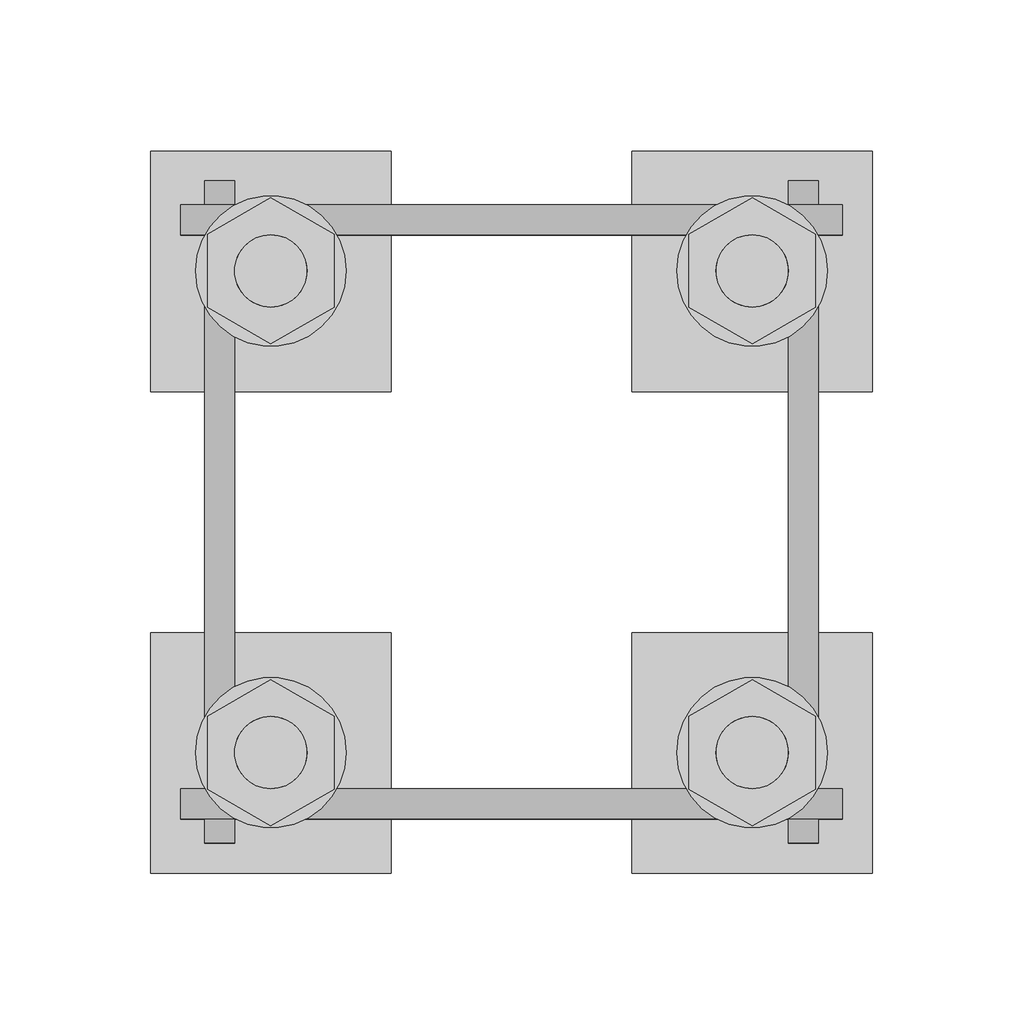
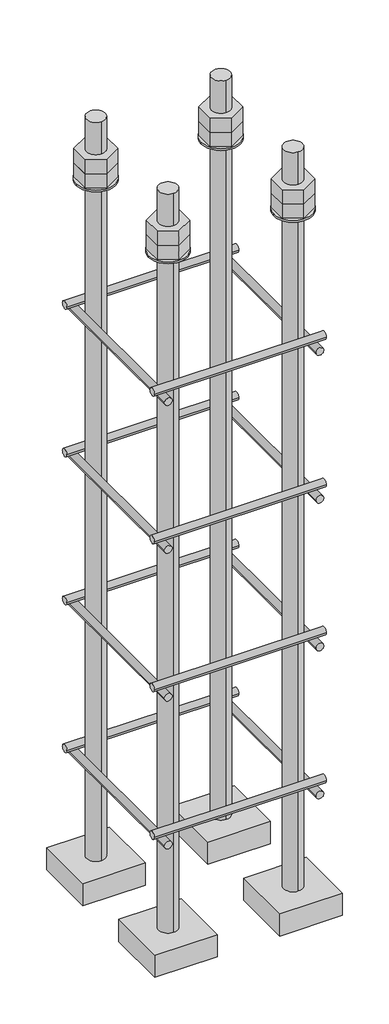
# One storey, part 2 of 66: 1 fastener.
"""IFC4 building model written with IfcOpenShell, lengths in millimetres."""

from ifc_helpers import new_model, si_unit, point, frame, frame_2d, origin, place, context, project, spatial, polyline, circle_curve, trimmed, segment, composite_curve, outline, extrude, element, save
from ifc_brep_helpers import plane_surface, cylinder_surface, advanced_brep

model = new_model("IFC4")

# Units and contexts
model_context = context("Model", 3, world=origin())
ifc_project = project(units=[si_unit("LENGTHUNIT", "METRE", prefix="MILLI")], contexts=[model_context])

# Site, building, storey
site = spatial("IfcSite", under=ifc_project)
building = spatial("IfcBuilding", under=site)
storey = spatial("IfcBuildingStorey", under=building, Elevation=9070.0)

# Fastener
placement = place(None, origin())
element("IfcFastener", 1, ObjectType="AU1 : AU-01", at=placement, inside=storey, context=model_context, shape_type="SolidModel", body=[
    extrude(outline(composite_curve([segment(trimmed(circle_curve(frame_2d((14703.0, 8395.0)), 5.0), [point((14698.0, 8395.0))], [point((14708.0, 8395.0))], False, "CARTESIAN"), True, "CONTINUOUS"), segment(trimmed(circle_curve(frame_2d((14703.0, 8395.0)), 5.0), [point((14708.0, 8395.0))], [point((14698.0, 8395.0))], False, "CARTESIAN"), True, "CONTINUOUS")], self_intersect=False)), frame((9890.0, 0.0, 0.0), z_axis=(1.0, 0.0, 0.0), x_axis=(0.0, 1.0, 0.0)), (0.0, 0.0, 1.0), 220.0),
    extrude(outline(composite_curve([segment(trimmed(circle_curve(frame_2d((14897.0, 8395.0)), 5.0), [point((14902.0, 8395.0))], [point((14892.0, 8395.0))], False, "CARTESIAN"), True, "CONTINUOUS"), segment(trimmed(circle_curve(frame_2d((14897.0, 8395.0)), 5.0), [point((14892.0, 8395.0))], [point((14902.0, 8395.0))], False, "CARTESIAN"), True, "CONTINUOUS")], self_intersect=False)), frame((9890.0, 0.0, 0.0), z_axis=(1.0, 0.0, 0.0), x_axis=(0.0, 1.0, 0.0)), (0.0, 0.0, 1.0), 220.0),
    extrude(outline(composite_curve([segment(trimmed(circle_curve(frame_2d((8385.0, 9903.0)), 5.0), [point((8385.0, 9898.0))], [point((8385.0, 9908.0))], False, "CARTESIAN"), True, "CONTINUOUS"), segment(trimmed(circle_curve(frame_2d((8385.0, 9903.0)), 5.0), [point((8385.0, 9908.0))], [point((8385.0, 9898.0))], False, "CARTESIAN"), True, "CONTINUOUS")], self_intersect=False)), frame((0.0, 14690.0, 0.0), z_axis=(0.0, 1.0, 0.0), x_axis=(0.0, 0.0, 1.0)), (0.0, 0.0, 1.0), 220.0),
    extrude(outline(composite_curve([segment(trimmed(circle_curve(frame_2d((8385.0, 10097.0)), 5.0), [point((8385.0, 10102.0))], [point((8385.0, 10092.0))], False, "CARTESIAN"), True, "CONTINUOUS"), segment(trimmed(circle_curve(frame_2d((8385.0, 10097.0)), 5.0), [point((8385.0, 10092.0))], [point((8385.0, 10102.0))], False, "CARTESIAN"), True, "CONTINUOUS")], self_intersect=False)), frame((0.0, 14690.0, 0.0), z_axis=(0.0, 1.0, 0.0), x_axis=(0.0, 0.0, 1.0)), (0.0, 0.0, 1.0), 220.0),
    extrude(outline(composite_curve([segment(trimmed(circle_curve(frame_2d((14703.0, 8595.0)), 5.0), [point((14698.0, 8595.0))], [point((14708.0, 8595.0))], False, "CARTESIAN"), True, "CONTINUOUS"), segment(trimmed(circle_curve(frame_2d((14703.0, 8595.0)), 5.0), [point((14708.0, 8595.0))], [point((14698.0, 8595.0))], False, "CARTESIAN"), True, "CONTINUOUS")], self_intersect=False)), frame((9890.0, 0.0, 0.0), z_axis=(1.0, 0.0, 0.0), x_axis=(0.0, 1.0, 0.0)), (0.0, 0.0, 1.0), 220.0),
    extrude(outline(composite_curve([segment(trimmed(circle_curve(frame_2d((14897.0, 8595.0)), 5.0), [point((14902.0, 8595.0))], [point((14892.0, 8595.0))], False, "CARTESIAN"), True, "CONTINUOUS"), segment(trimmed(circle_curve(frame_2d((14897.0, 8595.0)), 5.0), [point((14892.0, 8595.0))], [point((14902.0, 8595.0))], False, "CARTESIAN"), True, "CONTINUOUS")], self_intersect=False)), frame((9890.0, 0.0, 0.0), z_axis=(1.0, 0.0, 0.0), x_axis=(0.0, 1.0, 0.0)), (0.0, 0.0, 1.0), 220.0),
    extrude(outline(composite_curve([segment(trimmed(circle_curve(frame_2d((8585.0, 9903.0)), 5.0), [point((8585.0, 9898.0))], [point((8585.0, 9908.0))], False, "CARTESIAN"), True, "CONTINUOUS"), segment(trimmed(circle_curve(frame_2d((8585.0, 9903.0)), 5.0), [point((8585.0, 9908.0))], [point((8585.0, 9898.0))], False, "CARTESIAN"), True, "CONTINUOUS")], self_intersect=False)), frame((0.0, 14690.0, 0.0), z_axis=(0.0, 1.0, 0.0), x_axis=(0.0, 0.0, 1.0)), (0.0, 0.0, 1.0), 220.0),
    extrude(outline(composite_curve([segment(trimmed(circle_curve(frame_2d((8585.0, 10097.0)), 5.0), [point((8585.0, 10102.0))], [point((8585.0, 10092.0))], False, "CARTESIAN"), True, "CONTINUOUS"), segment(trimmed(circle_curve(frame_2d((8585.0, 10097.0)), 5.0), [point((8585.0, 10092.0))], [point((8585.0, 10102.0))], False, "CARTESIAN"), True, "CONTINUOUS")], self_intersect=False)), frame((0.0, 14690.0, 0.0), z_axis=(0.0, 1.0, 0.0), x_axis=(0.0, 0.0, 1.0)), (0.0, 0.0, 1.0), 220.0),
    extrude(outline(composite_curve([segment(trimmed(circle_curve(frame_2d((14703.0, 8795.0)), 5.0), [point((14698.0, 8795.0))], [point((14708.0, 8795.0))], False, "CARTESIAN"), True, "CONTINUOUS"), segment(trimmed(circle_curve(frame_2d((14703.0, 8795.0)), 5.0), [point((14708.0, 8795.0))], [point((14698.0, 8795.0))], False, "CARTESIAN"), True, "CONTINUOUS")], self_intersect=False)), frame((9890.0, 0.0, 0.0), z_axis=(1.0, 0.0, 0.0), x_axis=(0.0, 1.0, 0.0)), (0.0, 0.0, 1.0), 220.0),
    extrude(outline(composite_curve([segment(trimmed(circle_curve(frame_2d((14897.0, 8795.0)), 5.0), [point((14902.0, 8795.0))], [point((14892.0, 8795.0))], False, "CARTESIAN"), True, "CONTINUOUS"), segment(trimmed(circle_curve(frame_2d((14897.0, 8795.0)), 5.0), [point((14892.0, 8795.0))], [point((14902.0, 8795.0))], False, "CARTESIAN"), True, "CONTINUOUS")], self_intersect=False)), frame((9890.0, 0.0, 0.0), z_axis=(1.0, 0.0, 0.0), x_axis=(0.0, 1.0, 0.0)), (0.0, 0.0, 1.0), 220.0),
    extrude(outline(composite_curve([segment(trimmed(circle_curve(frame_2d((8785.0, 9903.0)), 5.0), [point((8785.0, 9898.0))], [point((8785.0, 9908.0))], False, "CARTESIAN"), True, "CONTINUOUS"), segment(trimmed(circle_curve(frame_2d((8785.0, 9903.0)), 5.0), [point((8785.0, 9908.0))], [point((8785.0, 9898.0))], False, "CARTESIAN"), True, "CONTINUOUS")], self_intersect=False)), frame((0.0, 14690.0, 0.0), z_axis=(0.0, 1.0, 0.0), x_axis=(0.0, 0.0, 1.0)), (0.0, 0.0, 1.0), 220.0),
    extrude(outline(composite_curve([segment(trimmed(circle_curve(frame_2d((8785.0, 10097.0)), 5.0), [point((8785.0, 10102.0))], [point((8785.0, 10092.0))], False, "CARTESIAN"), True, "CONTINUOUS"), segment(trimmed(circle_curve(frame_2d((8785.0, 10097.0)), 5.0), [point((8785.0, 10092.0))], [point((8785.0, 10102.0))], False, "CARTESIAN"), True, "CONTINUOUS")], self_intersect=False)), frame((0.0, 14690.0, 0.0), z_axis=(0.0, 1.0, 0.0), x_axis=(0.0, 0.0, 1.0)), (0.0, 0.0, 1.0), 220.0),
    extrude(outline(composite_curve([segment(trimmed(circle_curve(frame_2d((14703.0, 8995.0)), 5.0), [point((14698.0, 8995.0))], [point((14708.0, 8995.0))], False, "CARTESIAN"), True, "CONTINUOUS"), segment(trimmed(circle_curve(frame_2d((14703.0, 8995.0)), 5.0), [point((14708.0, 8995.0))], [point((14698.0, 8995.0))], False, "CARTESIAN"), True, "CONTINUOUS")], self_intersect=False)), frame((9890.0, 0.0, 0.0), z_axis=(1.0, 0.0, 0.0), x_axis=(0.0, 1.0, 0.0)), (0.0, 0.0, 1.0), 220.0),
    extrude(outline(composite_curve([segment(trimmed(circle_curve(frame_2d((14897.0, 8995.0)), 5.0), [point((14902.0, 8995.0))], [point((14892.0, 8995.0))], False, "CARTESIAN"), True, "CONTINUOUS"), segment(trimmed(circle_curve(frame_2d((14897.0, 8995.0)), 5.0), [point((14892.0, 8995.0))], [point((14902.0, 8995.0))], False, "CARTESIAN"), True, "CONTINUOUS")], self_intersect=False)), frame((9890.0, 0.0, 0.0), z_axis=(1.0, 0.0, 0.0), x_axis=(0.0, 1.0, 0.0)), (0.0, 0.0, 1.0), 220.0),
    extrude(outline(composite_curve([segment(trimmed(circle_curve(frame_2d((8985.0, 9903.0)), 5.0), [point((8985.0, 9898.0))], [point((8985.0, 9908.0))], False, "CARTESIAN"), True, "CONTINUOUS"), segment(trimmed(circle_curve(frame_2d((8985.0, 9903.0)), 5.0), [point((8985.0, 9908.0))], [point((8985.0, 9898.0))], False, "CARTESIAN"), True, "CONTINUOUS")], self_intersect=False)), frame((0.0, 14690.0, 0.0), z_axis=(0.0, 1.0, 0.0), x_axis=(0.0, 0.0, 1.0)), (0.0, 0.0, 1.0), 220.0),
    extrude(outline(composite_curve([segment(trimmed(circle_curve(frame_2d((8985.0, 10097.0)), 5.0), [point((8985.0, 10102.0))], [point((8985.0, 10092.0))], False, "CARTESIAN"), True, "CONTINUOUS"), segment(trimmed(circle_curve(frame_2d((8985.0, 10097.0)), 5.0), [point((8985.0, 10092.0))], [point((8985.0, 10102.0))], False, "CARTESIAN"), True, "CONTINUOUS")], self_intersect=False)), frame((0.0, 14690.0, 0.0), z_axis=(0.0, 1.0, 0.0), x_axis=(0.0, 0.0, 1.0)), (0.0, 0.0, 1.0), 220.0),
    advanced_brep(
    [(9960.0, 14920.0, 8250.0), (9880.0, 14920.0, 8250.0), (9880.0, 14840.0, 8250.0), (9960.0, 14840.0, 8250.0), (9920.0, 14868.0, 8250.0), (9920.0, 14892.0, 8250.0), (9960.0, 14920.0, 8220.0), (9960.0, 14840.0, 8220.0), (9880.0, 14840.0, 8220.0), (9880.0, 14920.0, 8220.0), (9920.0, 14892.0, 9250.0), (9920.0, 14868.0, 9250.0)],
    [
        (0, 1),
        (1, 2),
        (2, 3),
        (3, 0),
        (4, 5, circle_curve(frame((9920.0, 14880.0, 8250.0), z_axis=(0.0, 0.0, -1.0), x_axis=(0.0, -1.0, 0.0)), 12.0)),
        (5, 4, circle_curve(frame((9920.0, 14880.0, 8250.0), z_axis=(0.0, 0.0, -1.0), x_axis=(0.0, -1.0, 0.0)), 12.0)),
        (6, 7),
        (7, 8),
        (8, 9),
        (9, 6),
        (0, 6),
        (9, 1),
        (8, 2),
        (7, 3),
        (10, 11, circle_curve(frame((9920.0, 14880.0, 9250.0), z_axis=(0.0, 0.0, 1.0), x_axis=(0.0, -1.0, 0.0)), 12.0)),
        (11, 10, circle_curve(frame((9920.0, 14880.0, 9250.0), z_axis=(0.0, 0.0, 1.0), x_axis=(0.0, -1.0, 0.0)), 12.0)),
        (10, 5),
        (4, 11),
    ],
    [
        plane_surface(frame((9880.0, 14920.0, 8250.0), z_axis=(0.0, 0.0, 1.0), x_axis=(-1.0, 0.0, 0.0))),
        plane_surface(frame((9880.0, 14920.0, 8220.0), z_axis=(0.0, 0.0, -1.0), x_axis=(1.0, 0.0, 0.0))),
        plane_surface(frame((9960.0, 14920.0, 8250.0), z_axis=(0.0, 1.0, 0.0), x_axis=(0.0, 0.0, -1.0))),
        plane_surface(frame((9880.0, 14920.0, 8250.0), z_axis=(-1.0, 0.0, 0.0), x_axis=(0.0, 0.0, -1.0))),
        plane_surface(frame((9880.0, 14840.0, 8250.0), z_axis=(0.0, -1.0, 0.0), x_axis=(0.0, 0.0, -1.0))),
        plane_surface(frame((9960.0, 14840.0, 8250.0), z_axis=(1.0, 0.0, 0.0), x_axis=(0.0, 0.0, -1.0))),
        plane_surface(frame((9920.0, 14880.0, 9250.0), z_axis=(0.0, 0.0, 1.0), x_axis=(0.0, -1.0, 0.0))),
        cylinder_surface(frame((9920.0, 14880.0, 9250.0), z_axis=(0.0, 0.0, 1.0), x_axis=(0.0, -1.0, 0.0)), 12.0),
    ],
    [
        (0, [[1, 2, 3, 4], [5, 6]]),
        (1, [[7, 8, 9, 10]]),
        (2, [[-1, 11, -10, 12]]),
        (3, [[-2, -12, -9, 13]]),
        (4, [[-3, -13, -8, 14]]),
        (5, [[-4, -14, -7, -11]]),
        (6, [[15, 16]]),
        (7, [[-15, 17, -5, 18]]),
        (7, [[-16, -18, -6, -17]]),
    ],
),
    extrude(outline(composite_curve([segment(trimmed(circle_curve(frame_2d((9920.0, 14880.0)), 25.0), [point((9945.0, 14880.0))], [point((9895.0, 14880.0))], False, "CARTESIAN"), True, "CONTINUOUS"), segment(trimmed(circle_curve(frame_2d((9920.0, 14880.0)), 25.0), [point((9895.0, 14880.0))], [point((9945.0, 14880.0))], False, "CARTESIAN"), True, "CONTINUOUS")], self_intersect=False), holes=[composite_curve([segment(trimmed(circle_curve(frame_2d((9920.0, 14880.0)), 12.0), [point((9932.0, 14880.0))], [point((9908.0, 14880.0))], True, "CARTESIAN"), True, "CONTINUOUS"), segment(trimmed(circle_curve(frame_2d((9920.0, 14880.0)), 12.0), [point((9908.0, 14880.0))], [point((9932.0, 14880.0))], True, "CARTESIAN"), True, "CONTINUOUS")], self_intersect=False)]), frame((0.0, 0.0, 9165.0), z_axis=(0.0, 0.0, 1.0), x_axis=(1.0, 0.0, 0.0)), (0.0, 0.0, 1.0), 2.5),
    extrude(outline(polyline([(9920.0, 14904.2487113), (9941.0, 14892.1243557), (9941.0, 14867.8756443), (9920.0, 14855.7512887), (9899.0, 14867.8756443), (9899.0, 14892.1243557), (9920.0, 14904.2487113)]), holes=[composite_curve([segment(trimmed(circle_curve(frame_2d((9920.0, 14880.0)), 12.0), [point((9932.0, 14880.0))], [point((9908.0, 14880.0))], True, "CARTESIAN"), True, "CONTINUOUS"), segment(trimmed(circle_curve(frame_2d((9920.0, 14880.0)), 12.0), [point((9908.0, 14880.0))], [point((9932.0, 14880.0))], True, "CARTESIAN"), True, "CONTINUOUS")], self_intersect=False)]), frame((0.0, 0.0, 9187.0), z_axis=(0.0, 0.0, 1.0), x_axis=(1.0, 0.0, 0.0)), (0.0, 0.0, 1.0), 19.5),
    extrude(outline(polyline([(9920.0, 14904.2487113), (9941.0, 14892.1243557), (9941.0, 14867.8756443), (9920.0, 14855.7512887), (9899.0, 14867.8756443), (9899.0, 14892.1243557), (9920.0, 14904.2487113)]), holes=[composite_curve([segment(trimmed(circle_curve(frame_2d((9920.0, 14880.0)), 12.0), [point((9932.0, 14880.0))], [point((9908.0, 14880.0))], True, "CARTESIAN"), True, "CONTINUOUS"), segment(trimmed(circle_curve(frame_2d((9920.0, 14880.0)), 12.0), [point((9908.0, 14880.0))], [point((9932.0, 14880.0))], True, "CARTESIAN"), True, "CONTINUOUS")], self_intersect=False)]), frame((0.0, 0.0, 9167.5), z_axis=(0.0, 0.0, 1.0), x_axis=(1.0, 0.0, 0.0)), (0.0, 0.0, 1.0), 19.5),
    advanced_brep(
    [(10040.0, 14840.0, 8250.0), (10120.0, 14840.0, 8250.0), (10120.0, 14920.0, 8250.0), (10040.0, 14920.0, 8250.0), (10080.0, 14892.0, 8250.0), (10080.0, 14868.0, 8250.0), (10040.0, 14840.0, 8220.0), (10040.0, 14920.0, 8220.0), (10120.0, 14920.0, 8220.0), (10120.0, 14840.0, 8220.0), (10080.0, 14868.0, 9250.0), (10080.0, 14892.0, 9250.0)],
    [
        (0, 1),
        (1, 2),
        (2, 3),
        (3, 0),
        (4, 5, circle_curve(frame((10080.0, 14880.0, 8250.0), z_axis=(0.0, 0.0, -1.0), x_axis=(0.0, 1.0, 0.0)), 12.0)),
        (5, 4, circle_curve(frame((10080.0, 14880.0, 8250.0), z_axis=(0.0, 0.0, -1.0), x_axis=(0.0, 1.0, 0.0)), 12.0)),
        (6, 7),
        (7, 8),
        (8, 9),
        (9, 6),
        (0, 6),
        (9, 1),
        (8, 2),
        (7, 3),
        (10, 11, circle_curve(frame((10080.0, 14880.0, 9250.0), z_axis=(0.0, 0.0, 1.0), x_axis=(0.0, 1.0, 0.0)), 12.0)),
        (11, 10, circle_curve(frame((10080.0, 14880.0, 9250.0), z_axis=(0.0, 0.0, 1.0), x_axis=(0.0, 1.0, 0.0)), 12.0)),
        (10, 5),
        (4, 11),
    ],
    [
        plane_surface(frame((10120.0, 14840.0, 8250.0), z_axis=(0.0, 0.0, 1.0), x_axis=(1.0, 0.0, 0.0))),
        plane_surface(frame((10120.0, 14840.0, 8220.0), z_axis=(0.0, 0.0, -1.0), x_axis=(-1.0, 0.0, 0.0))),
        plane_surface(frame((10040.0, 14840.0, 8250.0), z_axis=(0.0, -1.0, 0.0), x_axis=(0.0, 0.0, -1.0))),
        plane_surface(frame((10120.0, 14840.0, 8250.0), z_axis=(1.0, 0.0, 0.0), x_axis=(0.0, 0.0, -1.0))),
        plane_surface(frame((10120.0, 14920.0, 8250.0), z_axis=(0.0, 1.0, 0.0), x_axis=(0.0, 0.0, -1.0))),
        plane_surface(frame((10040.0, 14920.0, 8250.0), z_axis=(-1.0, 0.0, 0.0), x_axis=(0.0, 0.0, -1.0))),
        plane_surface(frame((10080.0, 14880.0, 9250.0), z_axis=(0.0, 0.0, 1.0), x_axis=(0.0, 1.0, 0.0))),
        cylinder_surface(frame((10080.0, 14880.0, 9250.0), z_axis=(0.0, 0.0, 1.0), x_axis=(0.0, 1.0, 0.0)), 12.0),
    ],
    [
        (0, [[1, 2, 3, 4], [5, 6]]),
        (1, [[7, 8, 9, 10]]),
        (2, [[-1, 11, -10, 12]]),
        (3, [[-2, -12, -9, 13]]),
        (4, [[-3, -13, -8, 14]]),
        (5, [[-4, -14, -7, -11]]),
        (6, [[15, 16]]),
        (7, [[-15, 17, -5, 18]]),
        (7, [[-16, -18, -6, -17]]),
    ],
),
    extrude(outline(composite_curve([segment(trimmed(circle_curve(frame_2d((10080.0, 14880.0)), 25.0), [point((10055.0, 14880.0))], [point((10105.0, 14880.0))], False, "CARTESIAN"), True, "CONTINUOUS"), segment(trimmed(circle_curve(frame_2d((10080.0, 14880.0)), 25.0), [point((10105.0, 14880.0))], [point((10055.0, 14880.0))], False, "CARTESIAN"), True, "CONTINUOUS")], self_intersect=False), holes=[composite_curve([segment(trimmed(circle_curve(frame_2d((10080.0, 14880.0)), 12.0), [point((10068.0, 14880.0))], [point((10092.0, 14880.0))], True, "CARTESIAN"), True, "CONTINUOUS"), segment(trimmed(circle_curve(frame_2d((10080.0, 14880.0)), 12.0), [point((10092.0, 14880.0))], [point((10068.0, 14880.0))], True, "CARTESIAN"), True, "CONTINUOUS")], self_intersect=False)]), frame((0.0, 0.0, 9165.0), z_axis=(0.0, 0.0, 1.0), x_axis=(1.0, 0.0, 0.0)), (0.0, 0.0, 1.0), 2.5),
    extrude(outline(polyline([(10080.0, 14855.7512887), (10059.0, 14867.8756443), (10059.0, 14892.1243557), (10080.0, 14904.2487113), (10101.0, 14892.1243557), (10101.0, 14867.8756443), (10080.0, 14855.7512887)]), holes=[composite_curve([segment(trimmed(circle_curve(frame_2d((10080.0, 14880.0)), 12.0), [point((10068.0, 14880.0))], [point((10092.0, 14880.0))], True, "CARTESIAN"), True, "CONTINUOUS"), segment(trimmed(circle_curve(frame_2d((10080.0, 14880.0)), 12.0), [point((10092.0, 14880.0))], [point((10068.0, 14880.0))], True, "CARTESIAN"), True, "CONTINUOUS")], self_intersect=False)]), frame((0.0, 0.0, 9187.0), z_axis=(0.0, 0.0, 1.0), x_axis=(1.0, 0.0, 0.0)), (0.0, 0.0, 1.0), 19.5),
    extrude(outline(polyline([(10080.0, 14855.7512887), (10059.0, 14867.8756443), (10059.0, 14892.1243557), (10080.0, 14904.2487113), (10101.0, 14892.1243557), (10101.0, 14867.8756443), (10080.0, 14855.7512887)]), holes=[composite_curve([segment(trimmed(circle_curve(frame_2d((10080.0, 14880.0)), 12.0), [point((10068.0, 14880.0))], [point((10092.0, 14880.0))], True, "CARTESIAN"), True, "CONTINUOUS"), segment(trimmed(circle_curve(frame_2d((10080.0, 14880.0)), 12.0), [point((10092.0, 14880.0))], [point((10068.0, 14880.0))], True, "CARTESIAN"), True, "CONTINUOUS")], self_intersect=False)]), frame((0.0, 0.0, 9167.5), z_axis=(0.0, 0.0, 1.0), x_axis=(1.0, 0.0, 0.0)), (0.0, 0.0, 1.0), 19.5),
    advanced_brep(
    [(10040.0, 14680.0, 8250.0), (10120.0, 14680.0, 8250.0), (10120.0, 14760.0, 8250.0), (10040.0, 14760.0, 8250.0), (10080.0, 14732.0, 8250.0), (10080.0, 14708.0, 8250.0), (10040.0, 14680.0, 8220.0), (10040.0, 14760.0, 8220.0), (10120.0, 14760.0, 8220.0), (10120.0, 14680.0, 8220.0), (10080.0, 14708.0, 9250.0), (10080.0, 14732.0, 9250.0)],
    [
        (0, 1),
        (1, 2),
        (2, 3),
        (3, 0),
        (4, 5, circle_curve(frame((10080.0, 14720.0, 8250.0), z_axis=(0.0, 0.0, -1.0), x_axis=(0.0, 1.0, 0.0)), 12.0)),
        (5, 4, circle_curve(frame((10080.0, 14720.0, 8250.0), z_axis=(0.0, 0.0, -1.0), x_axis=(0.0, 1.0, 0.0)), 12.0)),
        (6, 7),
        (7, 8),
        (8, 9),
        (9, 6),
        (0, 6),
        (9, 1),
        (8, 2),
        (7, 3),
        (10, 11, circle_curve(frame((10080.0, 14720.0, 9250.0), z_axis=(0.0, 0.0, 1.0), x_axis=(0.0, 1.0, 0.0)), 12.0)),
        (11, 10, circle_curve(frame((10080.0, 14720.0, 9250.0), z_axis=(0.0, 0.0, 1.0), x_axis=(0.0, 1.0, 0.0)), 12.0)),
        (10, 5),
        (4, 11),
    ],
    [
        plane_surface(frame((10120.0, 14680.0, 8250.0), z_axis=(0.0, 0.0, 1.0), x_axis=(1.0, 0.0, 0.0))),
        plane_surface(frame((10120.0, 14680.0, 8220.0), z_axis=(0.0, 0.0, -1.0), x_axis=(-1.0, 0.0, 0.0))),
        plane_surface(frame((10040.0, 14680.0, 8250.0), z_axis=(0.0, -1.0, 0.0), x_axis=(0.0, 0.0, -1.0))),
        plane_surface(frame((10120.0, 14680.0, 8250.0), z_axis=(1.0, 0.0, 0.0), x_axis=(0.0, 0.0, -1.0))),
        plane_surface(frame((10120.0, 14760.0, 8250.0), z_axis=(0.0, 1.0, 0.0), x_axis=(0.0, 0.0, -1.0))),
        plane_surface(frame((10040.0, 14760.0, 8250.0), z_axis=(-1.0, 0.0, 0.0), x_axis=(0.0, 0.0, -1.0))),
        plane_surface(frame((10080.0, 14720.0, 9250.0), z_axis=(0.0, 0.0, 1.0), x_axis=(0.0, 1.0, 0.0))),
        cylinder_surface(frame((10080.0, 14720.0, 9250.0), z_axis=(0.0, 0.0, 1.0), x_axis=(0.0, 1.0, 0.0)), 12.0),
    ],
    [
        (0, [[1, 2, 3, 4], [5, 6]]),
        (1, [[7, 8, 9, 10]]),
        (2, [[-1, 11, -10, 12]]),
        (3, [[-2, -12, -9, 13]]),
        (4, [[-3, -13, -8, 14]]),
        (5, [[-4, -14, -7, -11]]),
        (6, [[15, 16]]),
        (7, [[-15, 17, -5, 18]]),
        (7, [[-16, -18, -6, -17]]),
    ],
),
    extrude(outline(composite_curve([segment(trimmed(circle_curve(frame_2d((10080.0, 14720.0)), 25.0), [point((10055.0, 14720.0))], [point((10105.0, 14720.0))], False, "CARTESIAN"), True, "CONTINUOUS"), segment(trimmed(circle_curve(frame_2d((10080.0, 14720.0)), 25.0), [point((10105.0, 14720.0))], [point((10055.0, 14720.0))], False, "CARTESIAN"), True, "CONTINUOUS")], self_intersect=False), holes=[composite_curve([segment(trimmed(circle_curve(frame_2d((10080.0, 14720.0)), 12.0), [point((10068.0, 14720.0))], [point((10092.0, 14720.0))], True, "CARTESIAN"), True, "CONTINUOUS"), segment(trimmed(circle_curve(frame_2d((10080.0, 14720.0)), 12.0), [point((10092.0, 14720.0))], [point((10068.0, 14720.0))], True, "CARTESIAN"), True, "CONTINUOUS")], self_intersect=False)]), frame((0.0, 0.0, 9165.0), z_axis=(0.0, 0.0, 1.0), x_axis=(1.0, 0.0, 0.0)), (0.0, 0.0, 1.0), 2.5),
    extrude(outline(polyline([(10080.0, 14695.7512887), (10059.0, 14707.8756443), (10059.0, 14732.1243557), (10080.0, 14744.2487113), (10101.0, 14732.1243557), (10101.0, 14707.8756443), (10080.0, 14695.7512887)]), holes=[composite_curve([segment(trimmed(circle_curve(frame_2d((10080.0, 14720.0)), 12.0), [point((10068.0, 14720.0))], [point((10092.0, 14720.0))], True, "CARTESIAN"), True, "CONTINUOUS"), segment(trimmed(circle_curve(frame_2d((10080.0, 14720.0)), 12.0), [point((10092.0, 14720.0))], [point((10068.0, 14720.0))], True, "CARTESIAN"), True, "CONTINUOUS")], self_intersect=False)]), frame((0.0, 0.0, 9187.0), z_axis=(0.0, 0.0, 1.0), x_axis=(1.0, 0.0, 0.0)), (0.0, 0.0, 1.0), 19.5),
    extrude(outline(polyline([(10080.0, 14695.7512887), (10059.0, 14707.8756443), (10059.0, 14732.1243557), (10080.0, 14744.2487113), (10101.0, 14732.1243557), (10101.0, 14707.8756443), (10080.0, 14695.7512887)]), holes=[composite_curve([segment(trimmed(circle_curve(frame_2d((10080.0, 14720.0)), 12.0), [point((10068.0, 14720.0))], [point((10092.0, 14720.0))], True, "CARTESIAN"), True, "CONTINUOUS"), segment(trimmed(circle_curve(frame_2d((10080.0, 14720.0)), 12.0), [point((10092.0, 14720.0))], [point((10068.0, 14720.0))], True, "CARTESIAN"), True, "CONTINUOUS")], self_intersect=False)]), frame((0.0, 0.0, 9167.5), z_axis=(0.0, 0.0, 1.0), x_axis=(1.0, 0.0, 0.0)), (0.0, 0.0, 1.0), 19.5),
    advanced_brep(
    [(9960.0, 14760.0, 8250.0), (9880.0, 14760.0, 8250.0), (9880.0, 14680.0, 8250.0), (9960.0, 14680.0, 8250.0), (9920.0, 14708.0, 8250.0), (9920.0, 14732.0, 8250.0), (9960.0, 14760.0, 8220.0), (9960.0, 14680.0, 8220.0), (9880.0, 14680.0, 8220.0), (9880.0, 14760.0, 8220.0), (9920.0, 14732.0, 9250.0), (9920.0, 14708.0, 9250.0)],
    [
        (0, 1),
        (1, 2),
        (2, 3),
        (3, 0),
        (4, 5, circle_curve(frame((9920.0, 14720.0, 8250.0), z_axis=(0.0, 0.0, -1.0), x_axis=(0.0, -1.0, 0.0)), 12.0)),
        (5, 4, circle_curve(frame((9920.0, 14720.0, 8250.0), z_axis=(0.0, 0.0, -1.0), x_axis=(0.0, -1.0, 0.0)), 12.0)),
        (6, 7),
        (7, 8),
        (8, 9),
        (9, 6),
        (0, 6),
        (9, 1),
        (8, 2),
        (7, 3),
        (10, 11, circle_curve(frame((9920.0, 14720.0, 9250.0), z_axis=(0.0, 0.0, 1.0), x_axis=(0.0, -1.0, 0.0)), 12.0)),
        (11, 10, circle_curve(frame((9920.0, 14720.0, 9250.0), z_axis=(0.0, 0.0, 1.0), x_axis=(0.0, -1.0, 0.0)), 12.0)),
        (10, 5),
        (4, 11),
    ],
    [
        plane_surface(frame((9880.0, 14760.0, 8250.0), z_axis=(0.0, 0.0, 1.0), x_axis=(-1.0, 0.0, 0.0))),
        plane_surface(frame((9880.0, 14760.0, 8220.0), z_axis=(0.0, 0.0, -1.0), x_axis=(1.0, 0.0, 0.0))),
        plane_surface(frame((9960.0, 14760.0, 8250.0), z_axis=(0.0, 1.0, 0.0), x_axis=(0.0, 0.0, -1.0))),
        plane_surface(frame((9880.0, 14760.0, 8250.0), z_axis=(-1.0, 0.0, 0.0), x_axis=(0.0, 0.0, -1.0))),
        plane_surface(frame((9880.0, 14680.0, 8250.0), z_axis=(0.0, -1.0, 0.0), x_axis=(0.0, 0.0, -1.0))),
        plane_surface(frame((9960.0, 14680.0, 8250.0), z_axis=(1.0, 0.0, 0.0), x_axis=(0.0, 0.0, -1.0))),
        plane_surface(frame((9920.0, 14720.0, 9250.0), z_axis=(0.0, 0.0, 1.0), x_axis=(0.0, -1.0, 0.0))),
        cylinder_surface(frame((9920.0, 14720.0, 9250.0), z_axis=(0.0, 0.0, 1.0), x_axis=(0.0, -1.0, 0.0)), 12.0),
    ],
    [
        (0, [[1, 2, 3, 4], [5, 6]]),
        (1, [[7, 8, 9, 10]]),
        (2, [[-1, 11, -10, 12]]),
        (3, [[-2, -12, -9, 13]]),
        (4, [[-3, -13, -8, 14]]),
        (5, [[-4, -14, -7, -11]]),
        (6, [[15, 16]]),
        (7, [[-15, 17, -5, 18]]),
        (7, [[-16, -18, -6, -17]]),
    ],
),
    extrude(outline(composite_curve([segment(trimmed(circle_curve(frame_2d((9920.0, 14720.0)), 25.0), [point((9945.0, 14720.0))], [point((9895.0, 14720.0))], False, "CARTESIAN"), True, "CONTINUOUS"), segment(trimmed(circle_curve(frame_2d((9920.0, 14720.0)), 25.0), [point((9895.0, 14720.0))], [point((9945.0, 14720.0))], False, "CARTESIAN"), True, "CONTINUOUS")], self_intersect=False), holes=[composite_curve([segment(trimmed(circle_curve(frame_2d((9920.0, 14720.0)), 12.0), [point((9932.0, 14720.0))], [point((9908.0, 14720.0))], True, "CARTESIAN"), True, "CONTINUOUS"), segment(trimmed(circle_curve(frame_2d((9920.0, 14720.0)), 12.0), [point((9908.0, 14720.0))], [point((9932.0, 14720.0))], True, "CARTESIAN"), True, "CONTINUOUS")], self_intersect=False)]), frame((0.0, 0.0, 9165.0), z_axis=(0.0, 0.0, 1.0), x_axis=(1.0, 0.0, 0.0)), (0.0, 0.0, 1.0), 2.5),
    extrude(outline(polyline([(9920.0, 14744.2487113), (9941.0, 14732.1243557), (9941.0, 14707.8756443), (9920.0, 14695.7512887), (9899.0, 14707.8756443), (9899.0, 14732.1243557), (9920.0, 14744.2487113)]), holes=[composite_curve([segment(trimmed(circle_curve(frame_2d((9920.0, 14720.0)), 12.0), [point((9932.0, 14720.0))], [point((9908.0, 14720.0))], True, "CARTESIAN"), True, "CONTINUOUS"), segment(trimmed(circle_curve(frame_2d((9920.0, 14720.0)), 12.0), [point((9908.0, 14720.0))], [point((9932.0, 14720.0))], True, "CARTESIAN"), True, "CONTINUOUS")], self_intersect=False)]), frame((0.0, 0.0, 9187.0), z_axis=(0.0, 0.0, 1.0), x_axis=(1.0, 0.0, 0.0)), (0.0, 0.0, 1.0), 19.5),
    extrude(outline(polyline([(9920.0, 14744.2487113), (9941.0, 14732.1243557), (9941.0, 14707.8756443), (9920.0, 14695.7512887), (9899.0, 14707.8756443), (9899.0, 14732.1243557), (9920.0, 14744.2487113)]), holes=[composite_curve([segment(trimmed(circle_curve(frame_2d((9920.0, 14720.0)), 12.0), [point((9932.0, 14720.0))], [point((9908.0, 14720.0))], True, "CARTESIAN"), True, "CONTINUOUS"), segment(trimmed(circle_curve(frame_2d((9920.0, 14720.0)), 12.0), [point((9908.0, 14720.0))], [point((9932.0, 14720.0))], True, "CARTESIAN"), True, "CONTINUOUS")], self_intersect=False)]), frame((0.0, 0.0, 9167.5), z_axis=(0.0, 0.0, 1.0), x_axis=(1.0, 0.0, 0.0)), (0.0, 0.0, 1.0), 19.5),
])

save(model, "model.ifc")
